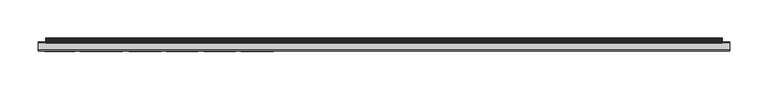
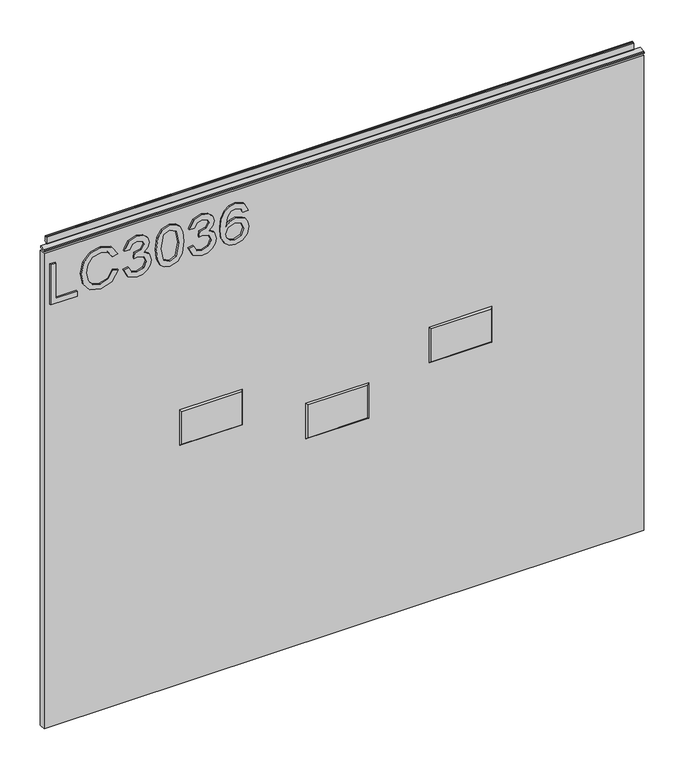
"""IFC4 building model written with IfcOpenShell, lengths in millimetres: furniture geometry."""

from ifc_helpers import new_model, si_unit, frame, origin, place, context, project, spatial, polyline, outline, extrude, faceted_brep, source, transform, mapped, element, save


def furniture_bd4c7410(model_context):
    return source(origin(), model_context, "Body", "SolidModel", [
        extrude(outline(polyline([(773.5951, -289.7737583), (773.5951, -249.9051602), (781.5688196, -249.9051602), (781.5688196, -281.8000387), (837.3848569, -281.8000387), (837.3848569, -289.7737583), (773.5951, -289.7737583)])), frame((0.0, -5.5283158, 0.0), z_axis=(0.0, 1.0, 0.0), x_axis=(0.0, 0.0, 1.0)), (0.0, 0.0, 1.0), 2.38125),
        extrude(outline(polyline([(796.2703652, -196.0825528), (784.5278171, -202.8493129), (780.5721047, -215.0512842), (783.4765943, -226.0540829), (792.252358, -233.5450187), (805.9883359, -235.9511509), (817.8398997, -233.9187868), (826.9972183, -226.8717006), (830.4078523, -214.39719), (827.3320522, -203.6202096), (817.5284263, -197.0792677), (819.4284141, -189.1055481), (833.4135708, -198.1149169), (838.3815719, -214.0857166), (834.542662, -229.410209), (823.3062582, -240.1482552), (805.9727623, -243.9248705), (788.9195924, -240.584318), (776.7877026, -230.8507736), (772.598385, -214.257027), (778.1348251, -197.5620515), (794.2146406, -188.1088332), (796.2703652, -196.0825528)])), frame((0.0, -5.5283158, 0.0), z_axis=(0.0, 1.0, 0.0), x_axis=(0.0, 0.0, 1.0)), (0.0, 0.0, 1.0), 2.38125),
        extrude(outline(polyline([(790.5392542, -180.1351135), (777.5975335, -173.7966294), (772.598385, -159.8114727), (774.0623101, -151.2887812), (778.4540854, -144.3779646), (784.9483063, -139.7993053), (792.7195681, -138.2730855), (803.0916331, -141.3255251), (808.542418, -150.0156336), (813.8218925, -143.4746917), (821.1726653, -141.2632304), (829.2164664, -143.5914942), (835.1967562, -150.3193202), (837.3848569, -159.9360621), (832.9463607, -172.6130304), (820.4407028, -179.1383986), (819.4439878, -171.164679), (826.9193499, -167.2556875), (829.4111373, -159.655736), (826.9427105, -152.1492265), (820.7054552, -149.23695), (813.6661558, -153.2549572), (811.4702682, -163.5803011), (803.4965486, -164.4680004), (804.3686742, -158.8770524), (801.10599, -149.8131758), (792.8597312, -146.2468052), (784.107328, -149.8443232), (780.5721047, -159.5311466), (783.1417604, -167.7618318), (791.5359691, -172.1613939), (790.5392542, -180.1351135)])), frame((0.0, -5.5283158, 0.0), z_axis=(0.0, 1.0, 0.0), x_axis=(0.0, 0.0, 1.0)), (0.0, 0.0, 1.0), 2.38125),
        extrude(outline(polyline([(804.9760473, -131.2960809), (789.4607775, -129.7075664), (778.6721168, -124.9420231), (774.116818, -118.6502599), (772.598385, -110.3650669), (776.0946742, -98.6926004), (786.7003443, -91.7545299), (804.9760473, -89.4340529), (819.9657058, -90.8824043), (829.4033505, -94.6200854), (835.3291324, -101.0520115), (837.3848569, -110.3650669), (833.9119283, -121.9908124), (823.3296188, -128.9522434), (804.9760473, -131.2960809)]), holes=[polyline([(804.991621, -123.3223613), (825.1439514, -119.4600908), (829.4111373, -110.4585089), (824.5677256, -101.0208642), (804.991621, -97.4077725), (785.2052718, -101.1454536), (780.5721047, -110.3650669), (785.1896982, -119.5846802), (804.991621, -123.3223613)])]), frame((0.0, -5.5283158, 0.0), z_axis=(0.0, 1.0, 0.0), x_axis=(0.0, 0.0, 1.0)), (0.0, 0.0, 1.0), 2.38125),
        extrude(outline(polyline([(790.5392542, -82.4570482), (777.5975335, -76.1185641), (772.598385, -62.1334074), (774.0623101, -53.6107159), (778.4540854, -46.6998993), (784.9483063, -42.12124), (792.7195681, -40.5950202), (803.0916331, -43.6474598), (808.542418, -52.3375683), (813.8218925, -45.7966264), (821.1726653, -43.5851651), (829.2164664, -45.9134289), (835.1967562, -52.6412548), (837.3848569, -62.2579968), (832.9463607, -74.9349651), (820.4407028, -81.4603333), (819.4439878, -73.4866136), (826.9193499, -69.5776222), (829.4111373, -61.9776707), (826.9427105, -54.4711612), (820.7054552, -51.5588847), (813.6661558, -55.5768918), (811.4702682, -65.9022358), (803.4965486, -66.7899351), (804.3686742, -61.1989871), (801.10599, -52.1351105), (792.8597312, -48.5687398), (784.107328, -52.1662579), (780.5721047, -61.8530813), (783.1417604, -70.0837665), (791.5359691, -74.4833286), (790.5392542, -82.4570482)])), frame((0.0, -5.5283158, 0.0), z_axis=(0.0, 1.0, 0.0), x_axis=(0.0, 0.0, 1.0)), (0.0, 0.0, 1.0), 2.38125),
        extrude(outline(polyline([(820.4407028, 7.2472975), (832.884066, 1.3604498), (837.3848569, -11.2386501), (835.5666308, -20.4933042), (830.1119525, -27.6377258), (819.2532103, -32.8704793), (803.3719592, -34.6147305), (789.2466395, -33.0437364), (779.7622738, -28.3307542), (774.3893572, -21.1259846), (772.598385, -12.0796284), (775.300417, -1.6296951), (783.0872526, 5.612062), (794.0900512, 8.2440124), (802.2623351, 6.8462755), (808.7760231, 2.6530645), (814.460413, -10.8960294), (812.3813279, -19.6094984), (806.0194833, -26.6410109), (820.2304582, -24.3750417), (827.4800021, -18.9320437), (829.4111373, -11.7370076), (826.0939454, -3.7477143), (819.4439878, -0.7264221), (820.4407028, 7.2472975)]), holes=[polyline([(794.2146406, -26.6410109), (803.09942, -22.6775116), (806.4866934, -13.0296223), (803.09942, -3.2571437), (793.8252988, 0.2702928), (784.1384754, -3.3038647), (780.5721047, -12.7025752), (782.2929953, -19.8898245), (787.3077174, -24.7955309), (794.2146406, -26.6410109)])]), frame((0.0, -5.5283158, 0.0), z_axis=(0.0, 1.0, 0.0), x_axis=(0.0, 0.0, 1.0)), (0.0, 0.0, 1.0), 2.38125),
        faceted_brep([(372.710075, -5.2069939, 534.743422), (283.016325, -5.2069939, 534.743422), (283.016325, -5.2069939, 482.6535783), (372.710075, -5.2069939, 482.6535783), (374.9921062, -3.1749939, 537.0254533), (374.9921062, -3.1749939, 480.371547), (280.7342937, -3.1749939, 480.371547), (280.7342937, -3.1749939, 537.0254533)], [[[0, 1, 2, 3]], [[4, 5, 6, 7]], [[4, 7, 1, 0]], [[7, 6, 2, 1]], [[6, 5, 3, 2]], [[5, 4, 0, 3]]]),
        faceted_brep([(187.452, -5.2069939, 478.7265), (97.79, -5.2069939, 478.7265), (97.79, -5.2069939, 426.6565), (187.452, -5.2069939, 426.6565), (189.738, -3.1749939, 481.0125), (189.738, -3.1749939, 424.3705), (95.504, -3.1749939, 424.3705), (95.504, -3.1749939, 481.0125)], [[[0, 1, 2, 3]], [[4, 5, 6, 7]], [[4, 7, 1, 0]], [[7, 6, 2, 1]], [[6, 5, 3, 2]], [[5, 4, 0, 3]]]),
        faceted_brep([(-2.422525, -5.2069939, 534.743422), (-92.116275, -5.2069939, 534.743422), (-92.116275, -5.2069939, 482.6535783), (-2.422525, -5.2069939, 482.6535783), (-0.1404938, -3.1749939, 537.0254533), (-0.1404938, -3.1749939, 480.371547), (-94.3983063, -3.1749939, 480.371547), (-94.3983063, -3.1749939, 537.0254533)], [[[0, 1, 2, 3]], [[4, 5, 6, 7]], [[4, 7, 1, 0]], [[7, 6, 2, 1]], [[6, 5, 3, 2]], [[5, 4, 0, 3]]]),
        extrude(outline(polyline([(-298.196, 6.3500061), (602.996, 6.3500061), (602.996, -3.1749939), (-298.196, -3.1749939), (-298.196, 6.3500061)])), frame((0.0, 0.0, 101.5873), z_axis=(0.0, 0.0, 1.0), x_axis=(1.0, 0.0, 0.0)), (0.0, 0.0, 1.0), 754.5578),
        extrude(outline(polyline([(5.5562561, 863.5873), (6.3500061, 863.5873), (6.3500061, 873.46155), (7.1437561, 874.2553), (8.6677569, 874.2553), (10.0084363, 873.8379926), (10.875413, 872.7334816), (10.9623604, 871.3320591), (10.2390011, 868.3736459), (10.4046103, 867.1706307), (11.6746103, 864.9709103), (10.7786383, 864.4536244), (7.1437561, 864.4536244), (7.1437561, 863.5873), (6.3500061, 863.3542239), (6.3500061, 856.1451), (5.5562561, 856.1451), (5.5562561, 863.5873)])), frame((-288.671, 0.0, 0.0), z_axis=(1.0, 0.0, 0.0), x_axis=(0.0, 1.0, 0.0)), (0.0, 0.0, 1.0), 882.142),
        extrude(outline(polyline([(5.5562561, 863.5873), (5.5562561, 860.4122996), (-3.975094, 860.4122996), (-5.3492339, 861.2056657), (-5.3492339, 862.7939395), (-3.9751037, 863.5873), (5.5562561, 863.5873)])), frame((-298.196, 0.0, 0.0), z_axis=(1.0, 0.0, 0.0), x_axis=(0.0, 1.0, 0.0)), (0.0, 0.0, 1.0), 901.192),
    ])


if __name__ == "__main__":
    model = new_model("IFC4")
    model_context = context("Model", 3, world=origin())
    ifc_project = project(units=[si_unit("LENGTHUNIT", "METRE", prefix="MILLI")], contexts=[model_context])
    site = spatial("IfcSite", under=ifc_project)
    building = spatial("IfcBuilding", under=site)
    placement = place(None, origin())
    furniture_shape = furniture_bd4c7410(model_context)
    element("IfcFurniture", 1, at=placement, inside=building, context=model_context, shape_type="MappedRepresentation", body=[
        mapped(furniture_shape, transform((0.0, 0.0, 0.0), x_axis=(1.0, 0.0, 0.0), y_axis=(0.0, 1.0, 0.0), z_axis=(0.0, 0.0, 1.0))),
    ])
    save(model, "model.ifc")
